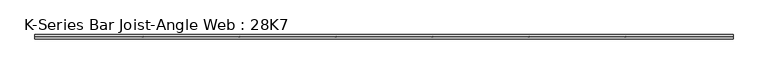
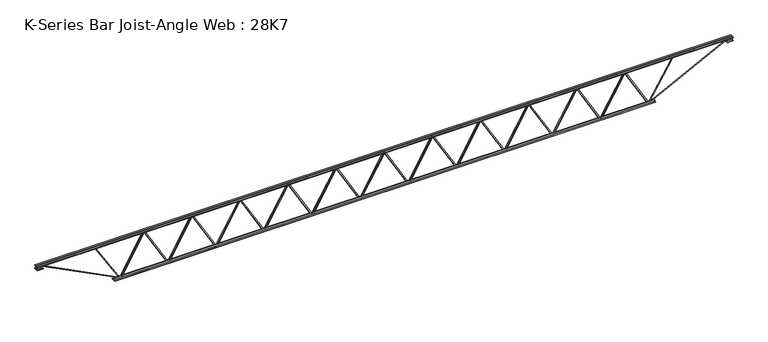
"""IFC4 building model written with IfcOpenShell, lengths in millimetres: beam geometry, K-Series Bar Joist-Angle Web : 28K7."""

from ifc_helpers import new_model, si_unit, frame, origin, place, context, project, spatial, polyline, outline, extrude, faceted_brep, source, transform, mapped, element, save


def k_series_bar_joist_angle_web_28k7_73f002cd(model_context):
    return source(origin(), model_context, "Body", "SolidModel", [
        extrude(outline(polyline([(-4.7625, 4.7625), (-4.7625, 0.0), (-17.4625, 0.0), (-17.4625, 4.7625), (-4.7625, 4.7625)])), frame((3657.3522374, 0.0, -317.5), z_axis=(-0.501219299838304, 0.0, 0.8653202953066571), x_axis=(0.0, -1.0, 0.0)), (0.0, 0.0, 1.0), 733.8323202),
        extrude(outline(polyline([(-352.425, 3689.4221591), (-333.375, 3689.4221591), (-333.375, 3688.5624801), (352.425, 3291.3266846), (352.425, 3273.1363636), (333.375, 3273.1363636), (333.375, 3280.3460427), (-352.425, 3677.5818381), (-352.425, 3689.4221591)])), frame((0.0, 0.0, 0.0), z_axis=(0.0, 1.0, 0.0), x_axis=(0.0, 0.0, 1.0)), (0.0, 0.0, 1.0), 4.7625),
        faceted_brep([(2869.5505682, 0.0, -333.375), (2869.5505682, 0.0, -352.425), (2869.5505682, -4.7625, -352.425), (2869.5505682, -4.7625, -333.375), (2870.4102472, 0.0, -333.375), (3267.6460427, 0.0, 352.425), (3285.8363636, 0.0, 352.425), (3285.8363636, 0.0, 333.375), (3278.6266846, 0.0, 333.375), (2881.3908892, 0.0, -352.425), (2881.3908892, -4.7625, -352.425), (2901.6204899, -4.7625, -317.5), (2897.4994019, -4.7625, -315.1129431), (3265.3103237, -4.7625, 319.8870569), (3269.4314116, -4.7625, 317.5), (3278.6266846, -4.7625, 333.375), (3285.8363636, -4.7625, 333.375), (3285.8363636, -4.7625, 352.425), (3267.6460427, -4.7625, 352.425), (2870.4102472, -4.7625, -333.375), (3269.4314116, -17.4625, 317.5), (2901.6204899, -17.4625, -317.5), (2897.4994019, -17.4625, -315.1129431), (3265.3103237, -17.4625, 319.8870569)], [[[0, 1, 2, 3]], [[1, 0, 4, 5, 6, 7, 8, 9]], [[2, 1, 9, 10]], [[3, 2, 10, 11, 12, 13, 14, 15, 16, 17, 18, 19]], [[0, 3, 19, 4]], [[9, 8, 15, 14, 20, 21, 11, 10]], [[5, 4, 19, 18]], [[7, 6, 17, 16]], [[8, 7, 16, 15]], [[6, 5, 18, 17]], [[21, 22, 12, 11]], [[20, 14, 13, 23]], [[22, 21, 20, 23]], [[12, 22, 23, 13]]]),
        extrude(outline(polyline([(-4.7625, 4.7625), (-4.7625, 0.0), (-17.4625, 0.0), (-17.4625, 4.7625), (-4.7625, 4.7625)])), frame((2837.4806465, 0.0, -317.5), z_axis=(-0.501219299838304, 0.0, 0.8653202953066571), x_axis=(0.0, -1.0, 0.0)), (0.0, 0.0, 1.0), 733.8323202),
        extrude(outline(polyline([(-352.425, 2869.5505682), (-333.375, 2869.5505682), (-333.375, 2868.6908892), (352.425, 2471.4550937), (352.425, 2453.2647727), (333.375, 2453.2647727), (333.375, 2460.4744518), (-352.425, 2857.7102472), (-352.425, 2869.5505682)])), frame((0.0, 0.0, 0.0), z_axis=(0.0, 1.0, 0.0), x_axis=(0.0, 0.0, 1.0)), (0.0, 0.0, 1.0), 4.7625),
        faceted_brep([(2049.6789773, 0.0, -333.375), (2049.6789773, 0.0, -352.425), (2049.6789773, -4.7625, -352.425), (2049.6789773, -4.7625, -333.375), (2050.5386563, 0.0, -333.375), (2447.7744518, 0.0, 352.425), (2465.9647727, 0.0, 352.425), (2465.9647727, 0.0, 333.375), (2458.7550937, 0.0, 333.375), (2061.5192982, 0.0, -352.425), (2061.5192982, -4.7625, -352.425), (2081.7488989, -4.7625, -317.5), (2077.627811, -4.7625, -315.1129431), (2445.4387328, -4.7625, 319.8870569), (2449.5598207, -4.7625, 317.5), (2458.7550937, -4.7625, 333.375), (2465.9647727, -4.7625, 333.375), (2465.9647727, -4.7625, 352.425), (2447.7744518, -4.7625, 352.425), (2050.5386563, -4.7625, -333.375), (2449.5598207, -17.4625, 317.5), (2081.7488989, -17.4625, -317.5), (2077.627811, -17.4625, -315.1129431), (2445.4387328, -17.4625, 319.8870569)], [[[0, 1, 2, 3]], [[1, 0, 4, 5, 6, 7, 8, 9]], [[2, 1, 9, 10]], [[3, 2, 10, 11, 12, 13, 14, 15, 16, 17, 18, 19]], [[0, 3, 19, 4]], [[9, 8, 15, 14, 20, 21, 11, 10]], [[5, 4, 19, 18]], [[7, 6, 17, 16]], [[8, 7, 16, 15]], [[6, 5, 18, 17]], [[21, 22, 12, 11]], [[20, 14, 13, 23]], [[22, 21, 20, 23]], [[12, 22, 23, 13]]]),
        extrude(outline(polyline([(-4.7625, 4.7625), (-4.7625, 0.0), (-17.4625, 0.0), (-17.4625, 4.7625), (-4.7625, 4.7625)])), frame((2017.6090556, 0.0, -317.5), z_axis=(-0.501219299838304, 0.0, 0.8653202953066571), x_axis=(0.0, -1.0, 0.0)), (0.0, 0.0, 1.0), 733.8323202),
        extrude(outline(polyline([(-352.425, 2049.6789773), (-333.375, 2049.6789773), (-333.375, 2048.8192982), (352.425, 1651.5835028), (352.425, 1633.3931818), (333.375, 1633.3931818), (333.375, 1640.6028608), (-352.425, 2037.8386563), (-352.425, 2049.6789773)])), frame((0.0, 0.0, 0.0), z_axis=(0.0, 1.0, 0.0), x_axis=(0.0, 0.0, 1.0)), (0.0, 0.0, 1.0), 4.7625),
        faceted_brep([(1229.8073864, 0.0, -333.375), (1229.8073864, 0.0, -352.425), (1229.8073864, -4.7625, -352.425), (1229.8073864, -4.7625, -333.375), (1230.6670654, 0.0, -333.375), (1627.9028608, 0.0, 352.425), (1646.0931818, 0.0, 352.425), (1646.0931818, 0.0, 333.375), (1638.8835028, 0.0, 333.375), (1241.6477073, 0.0, -352.425), (1241.6477073, -4.7625, -352.425), (1261.877308, -4.7625, -317.5), (1257.7562201, -4.7625, -315.1129431), (1625.5671418, -4.7625, 319.8870569), (1629.6882298, -4.7625, 317.5), (1638.8835028, -4.7625, 333.375), (1646.0931818, -4.7625, 333.375), (1646.0931818, -4.7625, 352.425), (1627.9028608, -4.7625, 352.425), (1230.6670654, -4.7625, -333.375), (1629.6882298, -17.4625, 317.5), (1261.877308, -17.4625, -317.5), (1257.7562201, -17.4625, -315.1129431), (1625.5671418, -17.4625, 319.8870569)], [[[0, 1, 2, 3]], [[1, 0, 4, 5, 6, 7, 8, 9]], [[2, 1, 9, 10]], [[3, 2, 10, 11, 12, 13, 14, 15, 16, 17, 18, 19]], [[0, 3, 19, 4]], [[9, 8, 15, 14, 20, 21, 11, 10]], [[5, 4, 19, 18]], [[7, 6, 17, 16]], [[8, 7, 16, 15]], [[6, 5, 18, 17]], [[21, 22, 12, 11]], [[20, 14, 13, 23]], [[22, 21, 20, 23]], [[12, 22, 23, 13]]]),
        extrude(outline(polyline([(-4.7625, 4.7625), (-4.7625, 0.0), (-17.4625, 0.0), (-17.4625, 4.7625), (-4.7625, 4.7625)])), frame((1197.7374647, 0.0, -317.5), z_axis=(-0.501219299838304, 0.0, 0.8653202953066571), x_axis=(0.0, -1.0, 0.0)), (0.0, 0.0, 1.0), 733.8323202),
        extrude(outline(polyline([(-352.425, 1229.8073864), (-333.375, 1229.8073864), (-333.375, 1228.9477073), (352.425, 831.7119119), (352.425, 813.5215909), (333.375, 813.5215909), (333.375, 820.7312699), (-352.425, 1217.9670654), (-352.425, 1229.8073864)])), frame((0.0, 0.0, 0.0), z_axis=(0.0, 1.0, 0.0), x_axis=(0.0, 0.0, 1.0)), (0.0, 0.0, 1.0), 4.7625),
        faceted_brep([(409.9357955, 0.0, -333.375), (409.9357955, 0.0, -352.425), (409.9357955, -4.7625, -352.425), (409.9357955, -4.7625, -333.375), (410.7954745, 0.0, -333.375), (808.0312699, 0.0, 352.425), (826.2215909, 0.0, 352.425), (826.2215909, 0.0, 333.375), (819.0119119, 0.0, 333.375), (421.7761164, 0.0, -352.425), (421.7761164, -4.7625, -352.425), (442.0057171, -4.7625, -317.5), (437.8846292, -4.7625, -315.1129431), (805.6955509, -4.7625, 319.8870569), (809.8166388, -4.7625, 317.5), (819.0119119, -4.7625, 333.375), (826.2215909, -4.7625, 333.375), (826.2215909, -4.7625, 352.425), (808.0312699, -4.7625, 352.425), (410.7954745, -4.7625, -333.375), (809.8166388, -17.4625, 317.5), (442.0057171, -17.4625, -317.5), (437.8846292, -17.4625, -315.1129431), (805.6955509, -17.4625, 319.8870569)], [[[0, 1, 2, 3]], [[1, 0, 4, 5, 6, 7, 8, 9]], [[2, 1, 9, 10]], [[3, 2, 10, 11, 12, 13, 14, 15, 16, 17, 18, 19]], [[0, 3, 19, 4]], [[9, 8, 15, 14, 20, 21, 11, 10]], [[5, 4, 19, 18]], [[7, 6, 17, 16]], [[8, 7, 16, 15]], [[6, 5, 18, 17]], [[21, 22, 12, 11]], [[20, 14, 13, 23]], [[22, 21, 20, 23]], [[12, 22, 23, 13]]]),
        extrude(outline(polyline([(-4.7625, 4.7625), (-4.7625, 0.0), (-17.4625, 0.0), (-17.4625, 4.7625), (-4.7625, 4.7625)])), frame((377.8658738, 0.0, -317.5), z_axis=(-0.501219299838304, 0.0, 0.8653202953066571), x_axis=(0.0, -1.0, 0.0)), (0.0, 0.0, 1.0), 733.8323202),
        extrude(outline(polyline([(-352.425, 409.9357955), (-333.375, 409.9357955), (-333.375, 409.0761164), (352.425, 11.840321), (352.425, -6.35), (333.375, -6.35), (333.375, 0.859679), (-352.425, 398.0954745), (-352.425, 409.9357955)])), frame((0.0, 0.0, 0.0), z_axis=(0.0, 1.0, 0.0), x_axis=(0.0, 0.0, 1.0)), (0.0, 0.0, 1.0), 4.7625),
        faceted_brep([(-409.9357955, 0.0, -333.375), (-409.9357955, 0.0, -352.425), (-409.9357955, -4.7625, -352.425), (-409.9357955, -4.7625, -333.375), (-409.0761164, 0.0, -333.375), (-11.840321, 0.0, 352.425), (6.35, 0.0, 352.425), (6.35, 0.0, 333.375), (-0.859679, 0.0, 333.375), (-398.0954745, 0.0, -352.425), (-398.0954745, -4.7625, -352.425), (-377.8658738, -4.7625, -317.5), (-381.9869617, -4.7625, -315.1129431), (-14.17604, -4.7625, 319.8870569), (-10.0549521, -4.7625, 317.5), (-0.859679, -4.7625, 333.375), (6.35, -4.7625, 333.375), (6.35, -4.7625, 352.425), (-11.840321, -4.7625, 352.425), (-409.0761164, -4.7625, -333.375), (-10.0549521, -17.4625, 317.5), (-377.8658738, -17.4625, -317.5), (-381.9869617, -17.4625, -315.1129431), (-14.17604, -17.4625, 319.8870569)], [[[0, 1, 2, 3]], [[1, 0, 4, 5, 6, 7, 8, 9]], [[2, 1, 9, 10]], [[3, 2, 10, 11, 12, 13, 14, 15, 16, 17, 18, 19]], [[0, 3, 19, 4]], [[9, 8, 15, 14, 20, 21, 11, 10]], [[5, 4, 19, 18]], [[7, 6, 17, 16]], [[8, 7, 16, 15]], [[6, 5, 18, 17]], [[21, 22, 12, 11]], [[20, 14, 13, 23]], [[22, 21, 20, 23]], [[12, 22, 23, 13]]]),
        extrude(outline(polyline([(-4.7625, 4.7625), (-4.7625, 0.0), (-17.4625, 0.0), (-17.4625, 4.7625), (-4.7625, 4.7625)])), frame((-442.0057171, 0.0, -317.5), z_axis=(-0.501219299838304, 0.0, 0.8653202953066571), x_axis=(0.0, -1.0, 0.0)), (0.0, 0.0, 1.0), 733.8323202),
        extrude(outline(polyline([(-352.425, -409.9357955), (-333.375, -409.9357955), (-333.375, -410.7954745), (352.425, -808.0312699), (352.425, -826.2215909), (333.375, -826.2215909), (333.375, -819.0119119), (-352.425, -421.7761164), (-352.425, -409.9357955)])), frame((0.0, 0.0, 0.0), z_axis=(0.0, 1.0, 0.0), x_axis=(0.0, 0.0, 1.0)), (0.0, 0.0, 1.0), 4.7625),
        faceted_brep([(-1229.8073864, 0.0, -333.375), (-1229.8073864, 0.0, -352.425), (-1229.8073864, -4.7625, -352.425), (-1229.8073864, -4.7625, -333.375), (-1228.9477073, 0.0, -333.375), (-831.7119119, 0.0, 352.425), (-813.5215909, 0.0, 352.425), (-813.5215909, 0.0, 333.375), (-820.7312699, 0.0, 333.375), (-1217.9670654, 0.0, -352.425), (-1217.9670654, -4.7625, -352.425), (-1197.7374647, -4.7625, -317.5), (-1201.8585526, -4.7625, -315.1129431), (-834.0476309, -4.7625, 319.8870569), (-829.926543, -4.7625, 317.5), (-820.7312699, -4.7625, 333.375), (-813.5215909, -4.7625, 333.375), (-813.5215909, -4.7625, 352.425), (-831.7119119, -4.7625, 352.425), (-1228.9477073, -4.7625, -333.375), (-829.926543, -17.4625, 317.5), (-1197.7374647, -17.4625, -317.5), (-1201.8585526, -17.4625, -315.1129431), (-834.0476309, -17.4625, 319.8870569)], [[[0, 1, 2, 3]], [[1, 0, 4, 5, 6, 7, 8, 9]], [[2, 1, 9, 10]], [[3, 2, 10, 11, 12, 13, 14, 15, 16, 17, 18, 19]], [[0, 3, 19, 4]], [[9, 8, 15, 14, 20, 21, 11, 10]], [[5, 4, 19, 18]], [[7, 6, 17, 16]], [[8, 7, 16, 15]], [[6, 5, 18, 17]], [[21, 22, 12, 11]], [[20, 14, 13, 23]], [[22, 21, 20, 23]], [[12, 22, 23, 13]]]),
        extrude(outline(polyline([(-4.7625, 4.7625), (-4.7625, 0.0), (-17.4625, 0.0), (-17.4625, 4.7625), (-4.7625, 4.7625)])), frame((-1261.877308, 0.0, -317.5), z_axis=(-0.501219299838304, 0.0, 0.8653202953066571), x_axis=(0.0, -1.0, 0.0)), (0.0, 0.0, 1.0), 733.8323202),
        extrude(outline(polyline([(-352.425, -1229.8073864), (-333.375, -1229.8073864), (-333.375, -1230.6670654), (352.425, -1627.9028608), (352.425, -1646.0931818), (333.375, -1646.0931818), (333.375, -1638.8835028), (-352.425, -1241.6477073), (-352.425, -1229.8073864)])), frame((0.0, 0.0, 0.0), z_axis=(0.0, 1.0, 0.0), x_axis=(0.0, 0.0, 1.0)), (0.0, 0.0, 1.0), 4.7625),
        faceted_brep([(-2049.6789773, 0.0, -333.375), (-2049.6789773, 0.0, -352.425), (-2049.6789773, -4.7625, -352.425), (-2049.6789773, -4.7625, -333.375), (-2048.8192982, 0.0, -333.375), (-1651.5835028, 0.0, 352.425), (-1633.3931818, 0.0, 352.425), (-1633.3931818, 0.0, 333.375), (-1640.6028608, 0.0, 333.375), (-2037.8386563, 0.0, -352.425), (-2037.8386563, -4.7625, -352.425), (-2017.6090556, -4.7625, -317.5), (-2021.7301435, -4.7625, -315.1129431), (-1653.9192218, -4.7625, 319.8870569), (-1649.7981339, -4.7625, 317.5), (-1640.6028608, -4.7625, 333.375), (-1633.3931818, -4.7625, 333.375), (-1633.3931818, -4.7625, 352.425), (-1651.5835028, -4.7625, 352.425), (-2048.8192982, -4.7625, -333.375), (-1649.7981339, -17.4625, 317.5), (-2017.6090556, -17.4625, -317.5), (-2021.7301435, -17.4625, -315.1129431), (-1653.9192218, -17.4625, 319.8870569)], [[[0, 1, 2, 3]], [[1, 0, 4, 5, 6, 7, 8, 9]], [[2, 1, 9, 10]], [[3, 2, 10, 11, 12, 13, 14, 15, 16, 17, 18, 19]], [[0, 3, 19, 4]], [[9, 8, 15, 14, 20, 21, 11, 10]], [[5, 4, 19, 18]], [[7, 6, 17, 16]], [[8, 7, 16, 15]], [[6, 5, 18, 17]], [[21, 22, 12, 11]], [[20, 14, 13, 23]], [[22, 21, 20, 23]], [[12, 22, 23, 13]]]),
        extrude(outline(polyline([(-4.7625, 4.7625), (-4.7625, 0.0), (-17.4625, 0.0), (-17.4625, 4.7625), (-4.7625, 4.7625)])), frame((-2081.7488989, 0.0, -317.5), z_axis=(-0.501219299838304, 0.0, 0.8653202953066571), x_axis=(0.0, -1.0, 0.0)), (0.0, 0.0, 1.0), 733.8323202),
        extrude(outline(polyline([(-352.425, -2049.6789773), (-333.375, -2049.6789773), (-333.375, -2050.5386563), (352.425, -2447.7744518), (352.425, -2465.9647727), (333.375, -2465.9647727), (333.375, -2458.7550937), (-352.425, -2061.5192982), (-352.425, -2049.6789773)])), frame((0.0, 0.0, 0.0), z_axis=(0.0, 1.0, 0.0), x_axis=(0.0, 0.0, 1.0)), (0.0, 0.0, 1.0), 4.7625),
        faceted_brep([(-2869.5505682, 0.0, -333.375), (-2869.5505682, 0.0, -352.425), (-2869.5505682, -4.7625, -352.425), (-2869.5505682, -4.7625, -333.375), (-2868.6908892, 0.0, -333.375), (-2471.4550937, 0.0, 352.425), (-2453.2647727, 0.0, 352.425), (-2453.2647727, 0.0, 333.375), (-2460.4744518, 0.0, 333.375), (-2857.7102472, 0.0, -352.425), (-2857.7102472, -4.7625, -352.425), (-2837.4806465, -4.7625, -317.5), (-2841.6017344, -4.7625, -315.1129431), (-2473.7908127, -4.7625, 319.8870569), (-2469.6697248, -4.7625, 317.5), (-2460.4744518, -4.7625, 333.375), (-2453.2647727, -4.7625, 333.375), (-2453.2647727, -4.7625, 352.425), (-2471.4550937, -4.7625, 352.425), (-2868.6908892, -4.7625, -333.375), (-2469.6697248, -17.4625, 317.5), (-2837.4806465, -17.4625, -317.5), (-2841.6017344, -17.4625, -315.1129431), (-2473.7908127, -17.4625, 319.8870569)], [[[0, 1, 2, 3]], [[1, 0, 4, 5, 6, 7, 8, 9]], [[2, 1, 9, 10]], [[3, 2, 10, 11, 12, 13, 14, 15, 16, 17, 18, 19]], [[0, 3, 19, 4]], [[9, 8, 15, 14, 20, 21, 11, 10]], [[5, 4, 19, 18]], [[7, 6, 17, 16]], [[8, 7, 16, 15]], [[6, 5, 18, 17]], [[21, 22, 12, 11]], [[20, 14, 13, 23]], [[22, 21, 20, 23]], [[12, 22, 23, 13]]]),
        extrude(outline(polyline([(-4.7625, 4.7625001), (-4.7625, 0.0), (-17.4625, 0.0), (-17.4625, 4.7625001), (-4.7625, 4.7625001)])), frame((-2901.6204899, 0.0, -317.5), z_axis=(-0.501219299838304, 0.0, 0.8653202953066571), x_axis=(0.0, -1.0, 0.0)), (0.0, 0.0, 1.0), 733.8323202),
        extrude(outline(polyline([(-352.425, -2869.5505682), (-333.375, -2869.5505682), (-333.375, -2870.4102472), (352.425, -3267.6460427), (352.425, -3285.8363636), (333.375, -3285.8363636), (333.375, -3278.6266846), (-352.425, -2881.3908892), (-352.425, -2869.5505682)])), frame((0.0, 0.0, 0.0), z_axis=(0.0, 1.0, 0.0), x_axis=(0.0, 0.0, 1.0)), (0.0, 0.0, 1.0), 4.7625),
        faceted_brep([(-3689.4221591, 0.0, -333.375), (-3689.4221591, 0.0, -352.425), (-3689.4221591, -4.7625, -352.425), (-3689.4221591, -4.7625, -333.375), (-3688.5624801, 0.0, -333.375), (-3291.3266846, 0.0, 352.425), (-3273.1363636, 0.0, 352.425), (-3273.1363636, 0.0, 333.375), (-3280.3460427, 0.0, 333.375), (-3677.5818381, 0.0, -352.425), (-3677.5818381, -4.7625, -352.425), (-3657.3522374, -4.7625, -317.5), (-3661.4733253, -4.7625, -315.1129431), (-3293.6624036, -4.7625, 319.8870569), (-3289.5413157, -4.7625, 317.5), (-3280.3460427, -4.7625, 333.375), (-3273.1363636, -4.7625, 333.375), (-3273.1363636, -4.7625, 352.425), (-3291.3266846, -4.7625, 352.425), (-3688.5624801, -4.7625, -333.375), (-3289.5413157, -17.4625, 317.5), (-3657.3522374, -17.4625, -317.5), (-3661.4733253, -17.4625, -315.1129431), (-3293.6624036, -17.4625, 319.8870569)], [[[0, 1, 2, 3]], [[1, 0, 4, 5, 6, 7, 8, 9]], [[2, 1, 9, 10]], [[3, 2, 10, 11, 12, 13, 14, 15, 16, 17, 18, 19]], [[0, 3, 19, 4]], [[9, 8, 15, 14, 20, 21, 11, 10]], [[5, 4, 19, 18]], [[7, 6, 17, 16]], [[8, 7, 16, 15]], [[6, 5, 18, 17]], [[21, 22, 12, 11]], [[20, 14, 13, 23]], [[22, 21, 20, 23]], [[12, 22, 23, 13]]]),
        extrude(outline(polyline([(-4.7625, 4.7625), (-4.7625, 0.0), (-17.4625, 0.0), (-17.4625, 4.7625), (-4.7625, 4.7625)])), frame((4477.2238283, 0.0, -317.5), z_axis=(-0.501219299838304, 0.0, 0.8653202953066571), x_axis=(0.0, -1.0, 0.0)), (0.0, 0.0, 1.0), 733.8323202),
        extrude(outline(polyline([(-352.425, 4509.29375), (-333.375, 4509.29375), (-333.375, 4508.434071), (352.425, 4111.1982755), (352.425, 4093.0079545), (333.375, 4093.0079545), (333.375, 4100.2176336), (-352.425, 4497.453429), (-352.425, 4509.29375)])), frame((0.0, 0.0, 0.0), z_axis=(0.0, 1.0, 0.0), x_axis=(0.0, 0.0, 1.0)), (0.0, 0.0, 1.0), 4.7625),
        faceted_brep([(3689.4221591, 0.0, -333.375), (3689.4221591, 0.0, -352.425), (3689.4221591, -4.7625, -352.425), (3689.4221591, -4.7625, -333.375), (3690.2818381, 0.0, -333.375), (4087.5176336, 0.0, 352.425), (4105.7079545, 0.0, 352.425), (4105.7079545, 0.0, 333.375), (4098.4982755, 0.0, 333.375), (3701.2624801, 0.0, -352.425), (3701.2624801, -4.7625, -352.425), (3721.4920808, -4.7625, -317.5), (3717.3709929, -4.7625, -315.1129431), (4085.1819146, -4.7625, 319.8870569), (4089.3030025, -4.7625, 317.5), (4098.4982755, -4.7625, 333.375), (4105.7079545, -4.7625, 333.375), (4105.7079545, -4.7625, 352.425), (4087.5176336, -4.7625, 352.425), (3690.2818381, -4.7625, -333.375), (4089.3030025, -17.4625, 317.5), (3721.4920808, -17.4625, -317.5), (3717.3709929, -17.4625, -315.1129431), (4085.1819146, -17.4625, 319.8870569)], [[[0, 1, 2, 3]], [[1, 0, 4, 5, 6, 7, 8, 9]], [[2, 1, 9, 10]], [[3, 2, 10, 11, 12, 13, 14, 15, 16, 17, 18, 19]], [[0, 3, 19, 4]], [[9, 8, 15, 14, 20, 21, 11, 10]], [[5, 4, 19, 18]], [[7, 6, 17, 16]], [[8, 7, 16, 15]], [[6, 5, 18, 17]], [[21, 22, 12, 11]], [[20, 14, 13, 23]], [[22, 21, 20, 23]], [[12, 22, 23, 13]]]),
        extrude(outline(polyline([(-4.7625, 4.7625), (-4.7625, 0.0), (-17.4625, 0.0), (-17.4625, 4.7625), (-4.7625, 4.7625)])), frame((-3721.4920808, 0.0, -317.5), z_axis=(-0.501219299838304, 0.0, 0.8653202953066571), x_axis=(0.0, -1.0, 0.0)), (0.0, 0.0, 1.0), 733.8323202),
        extrude(outline(polyline([(-352.425, -3689.4221591), (-333.375, -3689.4221591), (-333.375, -3690.2818381), (352.425, -4087.5176336), (352.425, -4105.7079545), (333.375, -4105.7079545), (333.375, -4098.4982755), (-352.425, -3701.2624801), (-352.425, -3689.4221591)])), frame((0.0, 0.0, 0.0), z_axis=(0.0, 1.0, 0.0), x_axis=(0.0, 0.0, 1.0)), (0.0, 0.0, 1.0), 4.7625),
        faceted_brep([(-4509.29375, 0.0, -333.375), (-4509.29375, 0.0, -352.425), (-4509.29375, -4.7625, -352.425), (-4509.29375, -4.7625, -333.375), (-4508.434071, 0.0, -333.375), (-4111.1982755, 0.0, 352.425), (-4093.0079545, 0.0, 352.425), (-4093.0079545, 0.0, 333.375), (-4100.2176336, 0.0, 333.375), (-4497.453429, 0.0, -352.425), (-4497.453429, -4.7625, -352.425), (-4477.2238283, -4.7625, -317.5), (-4481.3449162, -4.7625, -315.1129431), (-4113.5339945, -4.7625, 319.8870569), (-4109.4129066, -4.7625, 317.5), (-4100.2176336, -4.7625, 333.375), (-4093.0079545, -4.7625, 333.375), (-4093.0079545, -4.7625, 352.425), (-4111.1982755, -4.7625, 352.425), (-4508.434071, -4.7625, -333.375), (-4109.4129066, -17.4625, 317.5), (-4477.2238283, -17.4625, -317.5), (-4481.3449162, -17.4625, -315.1129431), (-4113.5339945, -17.4625, 319.8870569)], [[[0, 1, 2, 3]], [[1, 0, 4, 5, 6, 7, 8, 9]], [[2, 1, 9, 10]], [[3, 2, 10, 11, 12, 13, 14, 15, 16, 17, 18, 19]], [[0, 3, 19, 4]], [[9, 8, 15, 14, 20, 21, 11, 10]], [[5, 4, 19, 18]], [[7, 6, 17, 16]], [[8, 7, 16, 15]], [[6, 5, 18, 17]], [[21, 22, 12, 11]], [[20, 14, 13, 23]], [[22, 21, 20, 23]], [[12, 22, 23, 13]]]),
        extrude(outline(polyline([(4.7625, 355.6), (36.5125, 355.6), (36.5125, 349.25), (11.1125, 349.25), (11.1125, 323.85), (4.7625, 323.85), (4.7625, 355.6)])), frame((-5931.69375, 0.0, 0.0), z_axis=(1.0, 0.0, 0.0), x_axis=(0.0, 1.0, 0.0)), (0.0, 0.0, 1.0), 11863.3875),
        extrude(outline(polyline([(-4.7625, 355.6), (-4.7625, 323.85), (-11.1125, 323.85), (-11.1125, 349.25), (-36.5125, 349.25), (-36.5125, 355.6), (-4.7625, 355.6)])), frame((-5931.69375, 0.0, 0.0), z_axis=(1.0, 0.0, 0.0), x_axis=(0.0, 1.0, 0.0)), (0.0, 0.0, 1.0), 11863.3875),
        extrude(outline(polyline([(-4.7625, 292.1), (-36.5125, 292.1), (-36.5125, 298.45), (-11.1125, 298.45), (-11.1125, 323.85), (-4.7625, 323.85), (-4.7625, 292.1)])), frame((-5931.69375, 0.0, 0.0), z_axis=(1.0, 0.0, 0.0), x_axis=(0.0, 1.0, 0.0)), (0.0, 0.0, 1.0), 101.6),
        extrude(outline(polyline([(36.5125, 292.1), (4.7625, 292.1), (4.7625, 323.85), (11.1125, 323.85), (11.1125, 298.45), (36.5125, 298.45), (36.5125, 292.1)])), frame((-5931.69375, 0.0, 0.0), z_axis=(1.0, 0.0, 0.0), x_axis=(0.0, 1.0, 0.0)), (0.0, 0.0, 1.0), 101.6),
        extrude(outline(polyline([(4.7625, 292.1), (4.7625, 323.85), (11.1125, 323.85), (11.1125, 298.45), (36.5125, 298.45), (36.5125, 292.1), (4.7625, 292.1)])), frame((5830.09375, 0.0, 0.0), z_axis=(1.0, 0.0, 0.0), x_axis=(0.0, 1.0, 0.0)), (0.0, 0.0, 1.0), 101.6),
        extrude(outline(polyline([(-4.7625, 292.1), (-36.5125, 292.1), (-36.5125, 298.45), (-11.1125, 298.45), (-11.1125, 323.85), (-4.7625, 323.85), (-4.7625, 292.1)])), frame((5830.09375, 0.0, 0.0), z_axis=(1.0, 0.0, 0.0), x_axis=(0.0, 1.0, 0.0)), (0.0, 0.0, 1.0), 101.6),
        extrude(outline(polyline([(4.7625, -355.6), (4.7625, -323.85), (11.1125, -323.85), (11.1125, -349.25), (36.5125, -349.25), (36.5125, -355.6), (4.7625, -355.6)])), frame((-4610.89375, 0.0, 0.0), z_axis=(1.0, 0.0, 0.0), x_axis=(0.0, 1.0, 0.0)), (0.0, 0.0, 1.0), 9221.7875),
        extrude(outline(polyline([(-4.7625, -355.6), (-36.5125, -355.6), (-36.5125, -349.25), (-11.1125, -349.25), (-11.1125, -323.85), (-4.7625, -323.85), (-4.7625, -355.6)])), frame((-4610.89375, 0.0, 0.0), z_axis=(1.0, 0.0, 0.0), x_axis=(0.0, 1.0, 0.0)), (0.0, 0.0, 1.0), 9221.7875),
        extrude(outline(polyline([(4.7625, 4.7625), (4.7625, -4.7625), (-4.7625, -4.7625), (-4.7625, 4.7625), (4.7625, 4.7625)])), frame((4509.29375, 0.0, -349.25), z_axis=(0.5201531630675346, 0.0, 0.854072998607753), x_axis=(0.0, -1.0, 0.0)), (0.0, 0.0, 1.0), 788.105936),
        extrude(outline(polyline([(4.7625, 4.7625), (4.7625, -4.7625), (-4.7625, -4.7625), (-4.7625, 4.7625), (4.7625, 4.7625)])), frame((-4509.29375, 0.0, -349.25), z_axis=(-0.5201531630675164, 0.0, 0.8540729986077641), x_axis=(0.0, -1.0, 0.0)), (0.0, 0.0, 1.0), 788.105936),
        extrude(outline(polyline([(0.0, -9.525), (0.0, 0.0), (1482.4224263, 0.0), (1482.4224263, -9.525), (0.0, -9.525)])), frame((5832.2561827, -4.7625, 319.6067358), z_axis=(-0.4540541130905684, 0.0, 0.8909741087066095), x_axis=(-0.8909741087066095, 0.0, -0.4540541130905684)), (0.0, 0.0, 1.0), 9.525),
        extrude(outline(polyline([(0.0, -9.525), (0.0, 0.0), (1482.4224263, 0.0), (1482.4224263, -9.525), (0.0, -9.525)])), frame((-5832.2561827, 4.7625, 319.6067358), z_axis=(0.4540541130905684, 0.0, 0.8909741087066096), x_axis=(0.8909741087066096, 0.0, -0.4540541130905684)), (0.0, 0.0, 1.0), 9.525),
    ])


if __name__ == "__main__":
    model = new_model("IFC4")
    model_context = context("Model", 3, world=origin())
    ifc_project = project(units=[si_unit("LENGTHUNIT", "METRE", prefix="MILLI")], contexts=[model_context])
    site = spatial("IfcSite", under=ifc_project)
    building = spatial("IfcBuilding", under=site)
    placement = place(None, origin())
    k_series_bar_joist_angle_web_28k7_shape = k_series_bar_joist_angle_web_28k7_73f002cd(model_context)
    element("IfcBeam", 1, ObjectType="K-Series Bar Joist-Angle Web : 28K7", at=placement, inside=building, context=model_context, shape_type="MappedRepresentation", body=[
        mapped(k_series_bar_joist_angle_web_28k7_shape, transform((0.0, 0.0, 0.0), x_axis=(1.0, 0.0, 0.0), y_axis=(0.0, 1.0, 0.0), z_axis=(0.0, 0.0, 1.0))),
    ])
    save(model, "model.ifc")
